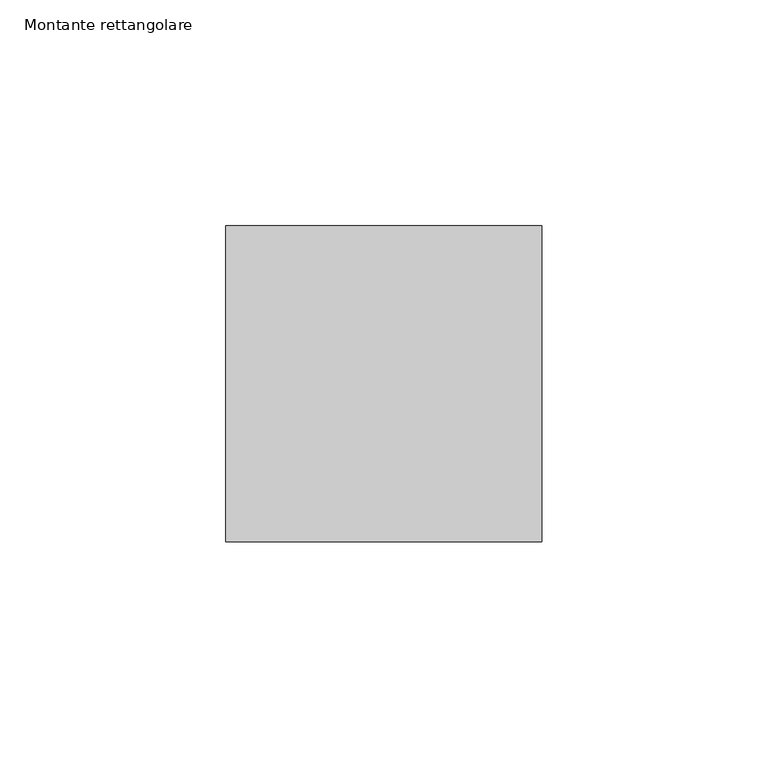
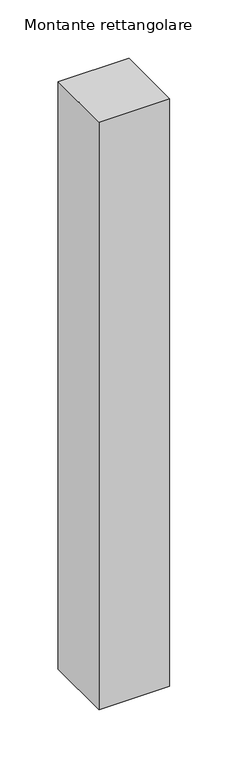
"""IFC4 building model written with IfcOpenShell, lengths in millimetres: member geometry, Montante rettangolare."""

from ifc_helpers import new_model, si_unit, frame, origin, place, context, project, spatial, polyline, outline, extrude, source, transform, mapped, element, save


def montante_rettangolare_23862768(model_context):
    return source(origin(), model_context, "Body", "SweptSolid", [
        extrude(outline(polyline([(35.0, 35.0), (35.0, -35.0), (-35.0, -35.0), (-35.0, 35.0), (35.0, 35.0)])), frame((0.0, 0.0, -614.8361775), z_axis=(0.0, 0.0, 1.0), x_axis=(1.0, 0.0, 0.0)), (0.0, 0.0, 1.0), 614.8361775),
    ])


if __name__ == "__main__":
    model = new_model("IFC4")
    model_context = context("Model", 3, world=origin())
    ifc_project = project(units=[si_unit("LENGTHUNIT", "METRE", prefix="MILLI")], contexts=[model_context])
    site = spatial("IfcSite", under=ifc_project)
    building = spatial("IfcBuilding", under=site)
    placement = place(None, origin())
    montante_rettangolare_shape = montante_rettangolare_23862768(model_context)
    element("IfcMember", 1, ObjectType="Montante rettangolare", at=placement, inside=building, context=model_context, shape_type="MappedRepresentation", body=[
        mapped(montante_rettangolare_shape, transform((0.0, 0.0, 0.0), x_axis=(1.0, 0.0, 0.0), y_axis=(0.0, 1.0, 0.0), z_axis=(0.0, 0.0, 1.0))),
    ])
    save(model, "model.ifc")
